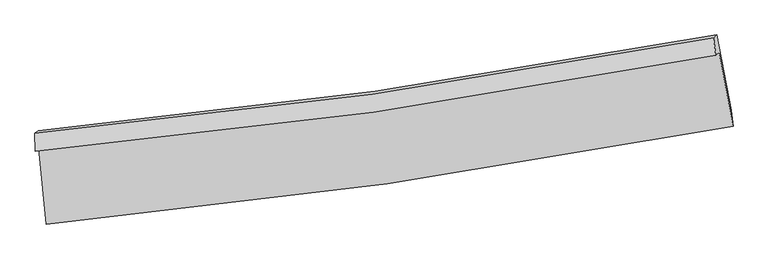
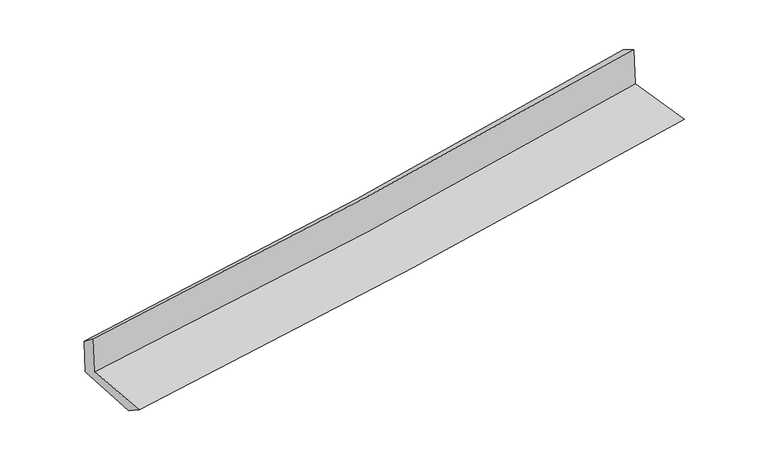
"""IFC4 building model written with IfcOpenShell, lengths in millimetres: proxy geometry."""

from ifc_helpers import new_model, si_unit, frame, origin, place, context, project, spatial, source, transform, mapped, element, save
from ifc_brep_helpers import plane_surface, spline_curve, spline_surface, advanced_brep


def generic_models_201e5433(model_context):
    return source(origin(), model_context, "Body", "AdvancedBrep", [
        advanced_brep(
        [(-2997.4806765, -1896.9119217, 1646.8948201), (-2932.8544124, -2559.2827854, 1617.7670846), (3087.5477856, -1703.7124205, 2103.6972052), (2966.3766097, -1054.1916438, 2132.4864872), (-3026.9239662, -1920.9161025, 2028.3802002), (2936.2526624, -1078.7507431, 2522.7908858), (-3031.5270234, -1764.6674394, 1907.175333), (2915.9082819, -926.6898068, 2439.0477494), (-3004.3762874, -1742.5323051, 1555.3936896), (2946.2482279, -901.9546106, 2045.9447385), (-2939.6392727, -2393.915165, 1512.513634), (3070.0425389, -1560.8997702, 2006.9829874)],
        [
            (0, 1),
            (1, 2, spline_curve(3, [(-2932.8544124, -2559.2827854, 1617.7670846), (-1934.200169574, -2464.731411099, 1716.88378065), (-937.912807227, -2347.056632706, 1806.641590107), (1068.97953122, -2062.761461452, 1968.980516168), (2079.49290172, -1895.246118213, 2041.199413288), (3087.5477856, -1703.7124205, 2103.6972052)], [4, 2, 4], [0.0, 9.8689978348173, 19.92716370067793])),
            (2, 3),
            (3, 0, spline_curve(3, [(2966.3766097, -1054.1916438, 2132.4864872), (1969.465539935, -1247.654018622, 2061.347244213), (969.273146524, -1415.033277959, 1984.877380409), (-1018.80154812, -1694.968151983, 1822.814866692), (-2006.561583443, -1808.495651682, 1737.420841381), (-2997.4806765, -1896.9119217, 1646.8948201)], [4, 2, 4], [0.0, 10.05816586586063, 19.92716370067793])),
            (4, 0),
            (3, 5),
            (5, 4, spline_curve(3, [(2936.2526624, -1078.7507431, 2522.7908858), (1938.885024696, -1272.58534314, 2457.567216429), (938.524318065, -1440.101823244, 2383.278123958), (-1049.312750044, -1719.84296737, 2218.136774447), (-2036.677586032, -1833.048274159, 2127.62230514), (-3026.9239662, -1920.9161025, 2028.3802002)], [4, 2, 4], [0.0, 10.01075028976641, 19.833224312583475])),
            (6, 4),
            (5, 7),
            (7, 6, spline_curve(3, [(2915.9082819, -926.6898068, 2439.0477494), (1921.419840195, -1115.875471061, 2359.581498388), (923.821865677, -1280.733915084, 2275.057354564), (-1058.772433718, -1559.153333636, 2097.578086176), (-2043.652894627, -1673.620767194, 2004.811424758), (-3031.5270234, -1764.6674394, 1907.175333)], [4, 2, 4], [0.0, 9.999704580847485, 19.81134063590197])),
            (8, 6),
            (7, 9),
            (9, 8, spline_curve(3, [(2946.2482279, -901.9546106, 2045.9447385), (1951.530152468, -1091.327488261, 1969.453764995), (953.547613703, -1256.499455288, 1889.912272432), (-1030.115528845, -1535.790267317, 1726.281590249), (-2015.674495286, -1650.810865337, 1642.306066807), (-3004.3762874, -1742.5323051, 1555.3936896)], [4, 2, 4], [0.0, 9.988521312923654, 19.789184428339006])),
            (10, 8),
            (9, 11),
            (11, 10, spline_curve(3, [(3070.0425389, -1560.8997702, 2006.9829874), (2065.06224429, -1751.088050218, 1929.65936544), (1056.981982742, -1916.021634759, 1849.372746934), (-946.360796222, -2192.752415554, 1684.439224376), (-1941.50780489, -2305.490628991, 1599.90272557), (-2939.6392727, -2393.915165, 1512.513634)], [4, 2, 4], [0.0, 10.036311647553964, 19.88386628526888])),
            (1, 10),
            (11, 2),
        ],
        [
            spline_surface(3, 3, [[(-2997.4806765, -1896.9119217, 1646.8948201), (-2006.561583316, -1808.495651707, 1737.420841393), (-1018.801548027, -1694.968151865, 1822.814866638), (969.273146429, -1415.03327808, 1984.877380464), (1969.465539871, -1247.654018618, 2061.347244228), (2966.3766097, -1054.1916438, 2132.4864872)], [(-2975.938588476, -2117.702209584, 1637.185574949), (-1982.441112074, -2027.240904837, 1730.575154446), (-991.838634447, -1912.330978835, 1817.423774472), (1002.508608051, -1630.942672519, 1979.578425667), (2006.141327136, -1463.518051776, 2054.631300595), (3006.767001666, -1270.698569357, 2122.890059882)], [(-2954.396500424, -2338.492497516, 1627.476329751), (-1958.320640802, -2245.986158015, 1723.729467454), (-964.875720874, -2129.693805796, 1812.032682336), (1035.744069665, -1846.85206695, 1974.2794709), (2042.817114404, -1679.382084963, 2047.915356917), (3047.157393634, -1487.205494943, 2113.293632518)], [(-2932.8544124, -2559.2827854, 1617.7670846), (-1934.20016956, -2464.731411146, 1716.883780508), (-937.912807294, -2347.056632766, 1806.64159017), (1068.979531287, -2062.76146139, 1968.980516104), (2079.492901669, -1895.246118121, 2041.199413284), (3087.5477856, -1703.7124205, 2103.6972052)]], [4, 4], [4, 2, 4], [0.0, 2.1533180004106174], [0.0, 9.8689978348173, 19.92716370067793]),
            spline_surface(3, 3, [[(-3026.9239662, -1920.9161025, 2028.3802002), (-2036.677586025, -1833.048274097, 2127.622305205), (-1049.312749949, -1719.842967507, 2218.136774456), (938.524317968, -1440.101823106, 2383.278123949), (1938.885024743, -1272.585343194, 2457.567216563), (2936.2526624, -1078.7507431, 2522.7908858)], [(-3017.109536303, -1912.91470893, 1901.218406833), (-2026.638918459, -1824.864066664, 1997.5551506), (-1039.142349318, -1711.551362282, 2086.362805203), (948.773927445, -1431.74564142, 2250.47787614), (1949.078529776, -1264.274901683, 2325.493892462), (2946.293978156, -1070.564376681, 2392.689419611)], [(-3007.295106397, -1904.91331527, 1774.056613467), (-2016.600250882, -1816.67985914, 1867.487995997), (-1028.971948657, -1703.259757089, 1954.588835891), (959.023536952, -1423.389459766, 2117.677628273), (1959.272034839, -1255.964460129, 2193.420568329), (2956.335293944, -1062.378010219, 2262.587953389)], [(-2997.4806765, -1896.9119217, 1646.8948201), (-2006.561583316, -1808.495651707, 1737.420841393), (-1018.801548027, -1694.968151865, 1822.814866638), (969.273146429, -1415.03327808, 1984.877380464), (1969.465539871, -1247.654018618, 2061.347244228), (2966.3766097, -1054.1916438, 2132.4864872)]], [4, 4], [4, 2, 4], [0.0, 1.3085712462220305], [0.0, 9.822474022817065, 19.833224312583475]),
            spline_surface(3, 3, [[(-3031.5270234, -1764.6674394, 1907.175333), (-2043.652894552, -1673.620767295, 2004.811424823), (-1058.772433873, -1559.153333668, 2097.578086315), (923.821865835, -1280.733915052, 2275.057354421), (1921.419840247, -1115.875471195, 2359.581498409), (2915.9082819, -926.6898068, 2439.0477494)], [(-3029.992670992, -1816.750327075, 1947.576955369), (-2041.327791701, -1726.763269537, 2045.748384919), (-1055.619205906, -1612.71654497, 2137.764315685), (928.722683205, -1333.856551093, 2311.130944253), (1927.241568424, -1168.112095212, 2392.243404436), (2922.689742078, -977.376785584, 2466.962128176)], [(-3028.458318608, -1868.833214825, 1987.978577831), (-2039.002688875, -1779.905771855, 2086.685345108), (-1052.465977916, -1666.279756204, 2177.950545087), (933.623500598, -1386.979187065, 2347.204534118), (1933.063296567, -1220.348719177, 2424.905310536), (2929.471202222, -1028.063764316, 2494.876507024)], [(-3026.9239662, -1920.9161025, 2028.3802002), (-2036.677586025, -1833.048274097, 2127.622305205), (-1049.312749949, -1719.842967507, 2218.136774456), (938.524317968, -1440.101823106, 2383.278123949), (1938.885024743, -1272.585343194, 2457.567216563), (2936.2526624, -1078.7507431, 2522.7908858)]], [4, 4], [4, 2, 4], [0.0, 0.6463351701117502], [0.0, 9.811636055054485, 19.81134063590197]),
            spline_surface(3, 3, [[(-3004.3762874, -1742.5323051, 1555.3936896), (-2015.674495278, -1650.810865365, 1642.306066721), (-1030.115528865, -1535.790267468, 1726.281590339), (953.547613724, -1256.499455135, 1889.912272341), (1951.530152395, -1091.327488195, 1969.453765006), (2946.2482279, -901.9546106, 2045.9447385)], [(-3013.426532727, -1749.910683216, 1672.65423742), (-2025.000628363, -1658.414166024, 1763.141186108), (-1039.667830528, -1543.577956198, 1850.047088997), (943.639031101, -1264.577608437, 2018.293966367), (1941.493381683, -1099.510149184, 2099.496342812), (2936.13491257, -910.199675989, 2176.979075472)], [(-3022.476778073, -1757.289061284, 1789.91478518), (-2034.326761467, -1666.017466636, 1883.976305436), (-1049.220132211, -1551.365644937, 1973.812587657), (933.730448458, -1272.655761749, 2146.675660395), (1931.45661096, -1107.692810206, 2229.538920603), (2926.02159723, -918.444741411, 2308.013412428)], [(-3031.5270234, -1764.6674394, 1907.175333), (-2043.652894552, -1673.620767295, 2004.811424823), (-1058.772433873, -1559.153333668, 2097.578086315), (923.821865835, -1280.733915052, 2275.057354421), (1921.419840247, -1115.875471195, 2359.581498409), (2915.9082819, -926.6898068, 2439.0477494)]], [4, 4], [4, 2, 4], [0.0, 1.2474507520824314], [0.0, 9.800663115415352, 19.789184428339006]),
            spline_surface(3, 3, [[(-2939.6392727, -2393.915165, 1512.513634), (-1941.507804891, -2305.490629047, 1599.902725492), (-946.3607961, -2192.752415455, 1684.439224488), (1056.981982617, -1916.02163486, 1849.37274682), (2065.062244356, -1751.088050188, 1929.659365607), (3070.0425389, -1560.8997702, 2006.9829874)], [(-2961.218277605, -2176.787545021, 1526.80698586), (-1966.230035026, -2087.26404114, 1614.037172562), (-974.279040338, -1973.7650328, 1698.386679788), (1022.50385967, -1696.180908292, 1862.885922009), (2027.218213703, -1531.167862849, 1942.9241654), (3028.777768568, -1341.251383658, 2019.97023776)], [(-2982.797282495, -1959.659925079, 1541.10033774), (-1990.952265144, -1869.037453272, 1628.171619651), (-1002.197284627, -1754.777650123, 1712.334135039), (988.025736671, -1476.340181703, 1876.399097151), (1989.374183048, -1311.247675535, 1956.188965213), (2987.512998232, -1121.602997142, 2032.95748814)], [(-3004.3762874, -1742.5323051, 1555.3936896), (-2015.674495278, -1650.810865365, 1642.306066721), (-1030.115528865, -1535.790267468, 1726.281590339), (953.547613724, -1256.499455135, 1889.912272341), (1951.530152395, -1091.327488195, 1969.453765006), (2946.2482279, -901.9546106, 2045.9447385)]], [4, 4], [4, 2, 4], [0.0, 2.1856525920632457], [0.0, 9.847554637714916, 19.88386628526888]),
            spline_surface(3, 3, [[(-2932.8544124, -2559.2827854, 1617.7670846), (-1934.20016956, -2464.731411146, 1716.883780508), (-937.912807294, -2347.056632766, 1806.64159017), (1068.979531287, -2062.76146139, 1968.980516104), (2079.492901669, -1895.246118121, 2041.199413284), (3087.5477856, -1703.7124205, 2103.6972052)], [(-2935.116032496, -2504.160245274, 1582.68260107), (-1936.636048, -2411.651150454, 1677.890095506), (-940.728803572, -2295.621893643, 1765.907468263), (1064.980348388, -2013.848185861, 1929.111259662), (2074.68268256, -1847.193428808, 2004.019397392), (3081.712703362, -1656.108203732, 2071.4591326)], [(-2937.377652604, -2449.037705126, 1547.59811753), (-1939.071926451, -2358.570889738, 1638.896410495), (-943.544799822, -2244.187154578, 1725.173346396), (1060.981165516, -1964.93491039, 1889.242003261), (2069.872463465, -1799.140739501, 1966.839381499), (3075.877621138, -1608.503986968, 2039.22106)], [(-2939.6392727, -2393.915165, 1512.513634), (-1941.507804891, -2305.490629047, 1599.902725492), (-946.3607961, -2192.752415455, 1684.439224488), (1056.981982617, -1916.02163486, 1849.37274682), (2065.062244356, -1751.088050188, 1929.659365607), (3070.0425389, -1560.8997702, 2006.9829874)]], [4, 4], [4, 2, 4], [0.0, 0.6340787401983892], [0.0, 9.905005090206217, 19.99986839517241]),
            plane_surface(frame((2987.0626844, -1204.3664992, 2208.4916756), z_axis=(0.9800086688559724, 0.17897354485430864, 0.08689924746180522), x_axis=(-0.07680080544890351, -0.06261326203804603, 0.995078497255043))),
            plane_surface(frame((-2988.8002731, -2046.3709532, 1711.3541269), z_axis=(-0.9922296014457881, -0.09318446499510391, -0.08244436607985292), x_axis=(-0.09701411046332804, 0.9943220617379533, 0.04372527772575986))),
        ],
        [
            (0, [[1, 2, 3, 4]]),
            (1, [[5, -4, 6, 7]]),
            (2, [[8, -7, 9, 10]]),
            (3, [[11, -10, 12, 13]]),
            (4, [[14, -13, 15, 16]]),
            (5, [[17, -16, 18, -2]]),
            (6, [[-12, -9, -6, -3, -18, -15]]),
            (7, [[-1, -5, -8, -11, -14, -17]]),
        ],
    ),
    ])


if __name__ == "__main__":
    model = new_model("IFC4")
    model_context = context("Model", 3, world=origin())
    ifc_project = project(units=[si_unit("LENGTHUNIT", "METRE", prefix="MILLI")], contexts=[model_context])
    site = spatial("IfcSite", under=ifc_project)
    building = spatial("IfcBuilding", under=site)
    placement = place(None, origin())
    generic_models_shape = generic_models_201e5433(model_context)
    element("IfcBuildingElementProxy", 1, Name="Generic Models", at=placement, inside=building, context=model_context, shape_type="MappedRepresentation", body=[
        mapped(generic_models_shape, transform((0.0, 0.0, 0.0), x_axis=(1.0, 0.0, 0.0), y_axis=(0.0, 1.0, 0.0), z_axis=(0.0, 0.0, 1.0))),
    ])
    save(model, "model.ifc")
